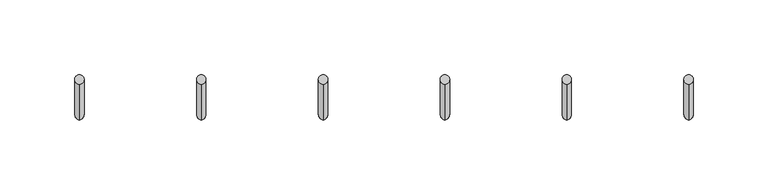
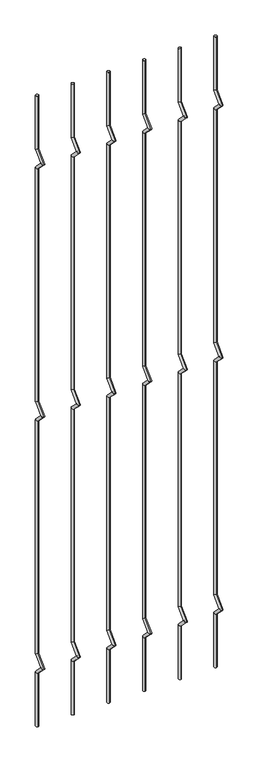
"""IFC4 building model written with IfcOpenShell, lengths in millimetres: railing geometry."""

from ifc_helpers import new_model, si_unit, frame, origin, place, context, project, spatial, circle_curve, ellipse_curve, source, transform, mapped, element, save
from ifc_brep_helpers import plane_surface, cylinder_surface, advanced_brep


def railing_ff7ebbd5(model_context):
    return source(origin(), model_context, "Body", "AdvancedBrep", [
        advanced_brep(
        [(-19446.8326189, 13589.3554142, 25.4), (-19446.8326189, 13583.0054142, 25.4), (-19446.8326189, 13583.0054142, 154.0342316), (-19446.8326189, 13589.3554142, 156.6644878), (-19446.8326189, 13559.2396458, 177.8), (-19446.8326189, 13568.219902, 177.8), (-19446.8326189, 13583.0054142, 201.5657684), (-19446.8326189, 13589.3554142, 198.9355122), (-19446.8326189, 13583.0054142, 763.6342316), (-19446.8326189, 13589.3554142, 766.2644878), (-19446.8326189, 13559.2396458, 787.4), (-19446.8326189, 13568.219902, 787.4), (-19446.8326189, 13583.0054142, 811.1657684), (-19446.8326189, 13589.3554142, 808.5355122), (-19446.8326189, 13583.0054142, 1373.2342316), (-19446.8326189, 13589.3554142, 1375.8644878), (-19446.8326189, 13559.2396458, 1397.0), (-19446.8326189, 13568.219902, 1397.0), (-19446.8326189, 13583.0054142, 1420.7657684), (-19446.8326189, 13589.3554142, 1418.1355122), (-19446.8326189, 13589.3554142, 1549.4), (-19446.8326189, 13583.0054142, 1549.4)],
        [
            (0, 1, circle_curve(frame((-19446.8326189, 13586.1804142, 25.4), z_axis=(0.0, 0.0, -1.0), x_axis=(0.0, -1.0, 0.0)), 3.175)),
            (1, 0, circle_curve(frame((-19446.8326189, 13586.1804142, 25.4), z_axis=(0.0, 0.0, -1.0), x_axis=(0.0, -1.0, 0.0)), 3.175)),
            (1, 2),
            (2, 3, ellipse_curve(frame((-19446.8326189, 13586.1804142, 155.3493597), z_axis=(0.0, 0.3826834323650955, -0.9238795325112844), x_axis=(0.0, -0.9238795325112845, -0.38268343236509544)), 3.4365952, 3.175)),
            (3, 0),
            (3, 2, ellipse_curve(frame((-19446.8326189, 13586.1804142, 155.3493597), z_axis=(0.0, 0.3826834323650955, -0.9238795325112844), x_axis=(0.0, -0.9238795325112845, -0.38268343236509544)), 3.4365952, 3.175)),
            (2, 4),
            (4, 5, ellipse_curve(frame((-19446.8326189, 13563.7297739, 177.8), z_axis=(0.0, 0.0, -1.0), x_axis=(0.0, 1.0, 0.0)), 4.4901281, 3.175)),
            (5, 3),
            (5, 4, ellipse_curve(frame((-19446.8326189, 13563.7297739, 177.8), z_axis=(0.0, 0.0, -1.0), x_axis=(0.0, 1.0, 0.0)), 4.4901281, 3.175)),
            (4, 6),
            (6, 7, ellipse_curve(frame((-19446.8326189, 13586.1804142, 200.2506403), z_axis=(0.0, -0.3826834323650839, -0.9238795325112892), x_axis=(0.0, -0.9238795325112893, 0.38268343236508373)), 3.4365952, 3.175)),
            (7, 5),
            (7, 6, ellipse_curve(frame((-19446.8326189, 13586.1804142, 200.2506403), z_axis=(0.0, -0.3826834323650839, -0.9238795325112892), x_axis=(0.0, -0.9238795325112893, 0.38268343236508373)), 3.4365952, 3.175)),
            (6, 8),
            (8, 9, ellipse_curve(frame((-19446.8326189, 13586.1804142, 764.9493597), z_axis=(0.0, 0.3826834323651107, -0.9238795325112781), x_axis=(0.0, -0.9238795325112781, -0.3826834323651108)), 3.4365952, 3.175)),
            (9, 7),
            (9, 8, ellipse_curve(frame((-19446.8326189, 13586.1804142, 764.9493597), z_axis=(0.0, 0.3826834323651107, -0.9238795325112781), x_axis=(0.0, -0.9238795325112781, -0.3826834323651108)), 3.4365952, 3.175)),
            (8, 10),
            (10, 11, ellipse_curve(frame((-19446.8326189, 13563.7297739, 787.4), z_axis=(0.0, 0.0, -1.0), x_axis=(0.0, 1.0, 0.0)), 4.4901281, 3.175)),
            (11, 9),
            (11, 10, ellipse_curve(frame((-19446.8326189, 13563.7297739, 787.4), z_axis=(0.0, 0.0, -1.0), x_axis=(0.0, 1.0, 0.0)), 4.4901281, 3.175)),
            (10, 12),
            (12, 13, ellipse_curve(frame((-19446.8326189, 13586.1804142, 809.8506403), z_axis=(0.0, -0.3826834323650702, -0.9238795325112948), x_axis=(0.0, -0.9238795325112948, 0.38268343236507046)), 3.4365952, 3.175)),
            (13, 11),
            (13, 12, ellipse_curve(frame((-19446.8326189, 13586.1804142, 809.8506403), z_axis=(0.0, -0.3826834323650702, -0.9238795325112948), x_axis=(0.0, -0.9238795325112948, 0.38268343236507046)), 3.4365952, 3.175)),
            (12, 14),
            (14, 15, ellipse_curve(frame((-19446.8326189, 13586.1804142, 1374.5493597), z_axis=(0.0, 0.3826834323650811, -0.9238795325112903), x_axis=(0.0, -0.9238795325112901, -0.3826834323650815)), 3.4365952, 3.175)),
            (15, 13),
            (15, 14, ellipse_curve(frame((-19446.8326189, 13586.1804142, 1374.5493597), z_axis=(0.0, 0.3826834323650811, -0.9238795325112903), x_axis=(0.0, -0.9238795325112901, -0.3826834323650815)), 3.4365952, 3.175)),
            (14, 16),
            (16, 17, ellipse_curve(frame((-19446.8326189, 13563.7297739, 1397.0), z_axis=(0.0, 0.0, -1.0), x_axis=(0.0, 1.0, 0.0)), 4.4901281, 3.175)),
            (17, 15),
            (17, 16, ellipse_curve(frame((-19446.8326189, 13563.7297739, 1397.0), z_axis=(0.0, 0.0, -1.0), x_axis=(0.0, 1.0, 0.0)), 4.4901281, 3.175)),
            (16, 18),
            (18, 19, ellipse_curve(frame((-19446.8326189, 13586.1804142, 1419.4506403), z_axis=(0.0, -0.38268343236509844, -0.9238795325112833), x_axis=(0.0, -0.9238795325112827, 0.38268343236509916)), 3.4365952, 3.175)),
            (19, 17),
            (19, 18, ellipse_curve(frame((-19446.8326189, 13586.1804142, 1419.4506403), z_axis=(0.0, -0.38268343236509844, -0.9238795325112833), x_axis=(0.0, -0.9238795325112827, 0.38268343236509916)), 3.4365952, 3.175)),
            (20, 21, circle_curve(frame((-19446.8326189, 13586.1804142, 1549.4), z_axis=(0.0, 0.0, 1.0), x_axis=(0.0, -1.0, 0.0)), 3.175)),
            (21, 20, circle_curve(frame((-19446.8326189, 13586.1804142, 1549.4), z_axis=(0.0, 0.0, 1.0), x_axis=(0.0, -1.0, 0.0)), 3.175)),
            (18, 21),
            (20, 19),
        ],
        [
            plane_surface(frame((-19446.8326189, 13586.1804142, 25.4), z_axis=(0.0, 0.0, -1.0), x_axis=(-1.0, 0.0, 0.0))),
            cylinder_surface(frame((-19446.8326189, 13586.1804142, 25.4), z_axis=(0.0, 0.0, -1.0), x_axis=(0.0, -1.0, 0.0)), 3.175),
            cylinder_surface(frame((-19446.8326189, 13586.1804142, 155.3493597), z_axis=(0.0, 0.7071067811865563, -0.7071067811865388), x_axis=(0.0, -0.7071067811865388, -0.7071067811865563)), 3.175),
            cylinder_surface(frame((-19446.8326189, 13563.7297739, 177.8), z_axis=(0.0, -0.7071067811865385, -0.7071067811865568), x_axis=(0.0, -0.7071067811865568, 0.7071067811865385)), 3.175),
            cylinder_surface(frame((-19446.8326189, 13586.1804142, 200.2506403), z_axis=(0.0, 0.0, -1.0), x_axis=(0.0, -1.0, 0.0)), 3.175),
            cylinder_surface(frame((-19446.8326189, 13586.1804142, 764.9493597), z_axis=(0.0, 0.7071067811865798, -0.7071067811865153), x_axis=(0.0, -0.7071067811865153, -0.7071067811865798)), 3.175),
            cylinder_surface(frame((-19446.8326189, 13563.7297739, 787.4), z_axis=(0.0, -0.7071067811865173, -0.7071067811865779), x_axis=(0.0, -0.7071067811865779, 0.7071067811865173)), 3.175),
            cylinder_surface(frame((-19446.8326189, 13586.1804142, 809.8506403), z_axis=(0.0, 0.0, -1.0), x_axis=(0.0, -1.0, 0.0)), 3.175),
            cylinder_surface(frame((-19446.8326189, 13586.1804142, 1374.5493597), z_axis=(0.0, 0.7071067811865346, -0.7071067811865605), x_axis=(0.0, -0.7071067811865605, -0.7071067811865346)), 3.175),
            cylinder_surface(frame((-19446.8326189, 13563.7297739, 1397.0), z_axis=(0.0, -0.7071067811865608, -0.7071067811865344), x_axis=(0.0, -0.7071067811865344, 0.7071067811865608)), 3.175),
            plane_surface(frame((-19446.8326189, 13586.1804142, 1549.4), z_axis=(0.0, 0.0, 1.0), x_axis=(-1.0, 0.0, 0.0))),
            cylinder_surface(frame((-19446.8326189, 13586.1804142, 1419.4506403), z_axis=(0.0, 0.0, -1.0), x_axis=(0.0, -1.0, 0.0)), 3.175),
        ],
        [
            (0, [[1, 2]]),
            (1, [[3, 4, 5, -2]]),
            (1, [[-5, 6, -3, -1]]),
            (2, [[7, 8, 9, -4]]),
            (2, [[-9, 10, -7, -6]]),
            (3, [[11, 12, 13, -8]]),
            (3, [[-13, 14, -11, -10]]),
            (4, [[15, 16, 17, -12]]),
            (4, [[-17, 18, -15, -14]]),
            (5, [[19, 20, 21, -16]]),
            (5, [[-21, 22, -19, -18]]),
            (6, [[23, 24, 25, -20]]),
            (6, [[-25, 26, -23, -22]]),
            (7, [[27, 28, 29, -24]]),
            (7, [[-29, 30, -27, -26]]),
            (8, [[31, 32, 33, -28]]),
            (8, [[-33, 34, -31, -30]]),
            (9, [[35, 36, 37, -32]]),
            (9, [[-37, 38, -35, -34]]),
            (10, [[39, 40]]),
            (11, [[41, -39, 42, -36]]),
            (11, [[-42, -40, -41, -38]]),
        ],
    ),
        advanced_brep(
        [(-19365.2595419, 13589.3554142, 25.4), (-19365.2595419, 13583.0054142, 25.4), (-19365.2595419, 13583.0054142, 154.0342316), (-19365.2595419, 13589.3554142, 156.6644878), (-19365.2595419, 13559.2396458, 177.8), (-19365.2595419, 13568.219902, 177.8), (-19365.2595419, 13583.0054142, 201.5657684), (-19365.2595419, 13589.3554142, 198.9355122), (-19365.2595419, 13583.0054142, 763.6342316), (-19365.2595419, 13589.3554142, 766.2644878), (-19365.2595419, 13559.2396458, 787.4), (-19365.2595419, 13568.219902, 787.4), (-19365.2595419, 13583.0054142, 811.1657684), (-19365.2595419, 13589.3554142, 808.5355122), (-19365.2595419, 13583.0054142, 1373.2342316), (-19365.2595419, 13589.3554142, 1375.8644878), (-19365.2595419, 13559.2396458, 1397.0), (-19365.2595419, 13568.219902, 1397.0), (-19365.2595419, 13583.0054142, 1420.7657684), (-19365.2595419, 13589.3554142, 1418.1355122), (-19365.2595419, 13589.3554142, 1549.4), (-19365.2595419, 13583.0054142, 1549.4)],
        [
            (0, 1, circle_curve(frame((-19365.2595419, 13586.1804142, 25.4), z_axis=(0.0, 0.0, -1.0), x_axis=(0.0, -1.0, 0.0)), 3.175)),
            (1, 0, circle_curve(frame((-19365.2595419, 13586.1804142, 25.4), z_axis=(0.0, 0.0, -1.0), x_axis=(0.0, -1.0, 0.0)), 3.175)),
            (1, 2),
            (2, 3, ellipse_curve(frame((-19365.2595419, 13586.1804142, 155.3493597), z_axis=(0.0, 0.3826834323650955, -0.9238795325112844), x_axis=(0.0, -0.9238795325112845, -0.38268343236509544)), 3.4365952, 3.175)),
            (3, 0),
            (3, 2, ellipse_curve(frame((-19365.2595419, 13586.1804142, 155.3493597), z_axis=(0.0, 0.3826834323650955, -0.9238795325112844), x_axis=(0.0, -0.9238795325112845, -0.38268343236509544)), 3.4365952, 3.175)),
            (2, 4),
            (4, 5, ellipse_curve(frame((-19365.2595419, 13563.7297739, 177.8), z_axis=(0.0, 0.0, -1.0), x_axis=(0.0, 1.0, 0.0)), 4.4901281, 3.175)),
            (5, 3),
            (5, 4, ellipse_curve(frame((-19365.2595419, 13563.7297739, 177.8), z_axis=(0.0, 0.0, -1.0), x_axis=(0.0, 1.0, 0.0)), 4.4901281, 3.175)),
            (4, 6),
            (6, 7, ellipse_curve(frame((-19365.2595419, 13586.1804142, 200.2506403), z_axis=(0.0, -0.3826834323650839, -0.9238795325112892), x_axis=(0.0, -0.9238795325112893, 0.38268343236508373)), 3.4365952, 3.175)),
            (7, 5),
            (7, 6, ellipse_curve(frame((-19365.2595419, 13586.1804142, 200.2506403), z_axis=(0.0, -0.3826834323650839, -0.9238795325112892), x_axis=(0.0, -0.9238795325112893, 0.38268343236508373)), 3.4365952, 3.175)),
            (6, 8),
            (8, 9, ellipse_curve(frame((-19365.2595419, 13586.1804142, 764.9493597), z_axis=(0.0, 0.3826834323651107, -0.9238795325112781), x_axis=(0.0, -0.9238795325112781, -0.3826834323651108)), 3.4365952, 3.175)),
            (9, 7),
            (9, 8, ellipse_curve(frame((-19365.2595419, 13586.1804142, 764.9493597), z_axis=(0.0, 0.3826834323651107, -0.9238795325112781), x_axis=(0.0, -0.9238795325112781, -0.3826834323651108)), 3.4365952, 3.175)),
            (8, 10),
            (10, 11, ellipse_curve(frame((-19365.2595419, 13563.7297739, 787.4), z_axis=(0.0, 0.0, -1.0), x_axis=(0.0, 1.0, 0.0)), 4.4901281, 3.175)),
            (11, 9),
            (11, 10, ellipse_curve(frame((-19365.2595419, 13563.7297739, 787.4), z_axis=(0.0, 0.0, -1.0), x_axis=(0.0, 1.0, 0.0)), 4.4901281, 3.175)),
            (10, 12),
            (12, 13, ellipse_curve(frame((-19365.2595419, 13586.1804142, 809.8506403), z_axis=(0.0, -0.3826834323650702, -0.9238795325112948), x_axis=(0.0, -0.9238795325112948, 0.38268343236507046)), 3.4365952, 3.175)),
            (13, 11),
            (13, 12, ellipse_curve(frame((-19365.2595419, 13586.1804142, 809.8506403), z_axis=(0.0, -0.3826834323650702, -0.9238795325112948), x_axis=(0.0, -0.9238795325112948, 0.38268343236507046)), 3.4365952, 3.175)),
            (12, 14),
            (14, 15, ellipse_curve(frame((-19365.2595419, 13586.1804142, 1374.5493597), z_axis=(0.0, 0.3826834323650811, -0.9238795325112903), x_axis=(0.0, -0.9238795325112901, -0.3826834323650815)), 3.4365952, 3.175)),
            (15, 13),
            (15, 14, ellipse_curve(frame((-19365.2595419, 13586.1804142, 1374.5493597), z_axis=(0.0, 0.3826834323650811, -0.9238795325112903), x_axis=(0.0, -0.9238795325112901, -0.3826834323650815)), 3.4365952, 3.175)),
            (14, 16),
            (16, 17, ellipse_curve(frame((-19365.2595419, 13563.7297739, 1397.0), z_axis=(0.0, 0.0, -1.0), x_axis=(0.0, 1.0, 0.0)), 4.4901281, 3.175)),
            (17, 15),
            (17, 16, ellipse_curve(frame((-19365.2595419, 13563.7297739, 1397.0), z_axis=(0.0, 0.0, -1.0), x_axis=(0.0, 1.0, 0.0)), 4.4901281, 3.175)),
            (16, 18),
            (18, 19, ellipse_curve(frame((-19365.2595419, 13586.1804142, 1419.4506403), z_axis=(0.0, -0.38268343236509844, -0.9238795325112833), x_axis=(0.0, -0.9238795325112827, 0.38268343236509916)), 3.4365952, 3.175)),
            (19, 17),
            (19, 18, ellipse_curve(frame((-19365.2595419, 13586.1804142, 1419.4506403), z_axis=(0.0, -0.38268343236509844, -0.9238795325112833), x_axis=(0.0, -0.9238795325112827, 0.38268343236509916)), 3.4365952, 3.175)),
            (20, 21, circle_curve(frame((-19365.2595419, 13586.1804142, 1549.4), z_axis=(0.0, 0.0, 1.0), x_axis=(0.0, -1.0, 0.0)), 3.175)),
            (21, 20, circle_curve(frame((-19365.2595419, 13586.1804142, 1549.4), z_axis=(0.0, 0.0, 1.0), x_axis=(0.0, -1.0, 0.0)), 3.175)),
            (18, 21),
            (20, 19),
        ],
        [
            plane_surface(frame((-19365.2595419, 13586.1804142, 25.4), z_axis=(0.0, 0.0, -1.0), x_axis=(-1.0, 0.0, 0.0))),
            cylinder_surface(frame((-19365.2595419, 13586.1804142, 25.4), z_axis=(0.0, 0.0, -1.0), x_axis=(0.0, -1.0, 0.0)), 3.175),
            cylinder_surface(frame((-19365.2595419, 13586.1804142, 155.3493597), z_axis=(0.0, 0.7071067811865563, -0.7071067811865388), x_axis=(0.0, -0.7071067811865388, -0.7071067811865563)), 3.175),
            cylinder_surface(frame((-19365.2595419, 13563.7297739, 177.8), z_axis=(0.0, -0.7071067811865385, -0.7071067811865568), x_axis=(0.0, -0.7071067811865568, 0.7071067811865385)), 3.175),
            cylinder_surface(frame((-19365.2595419, 13586.1804142, 200.2506403), z_axis=(0.0, 0.0, -1.0), x_axis=(0.0, -1.0, 0.0)), 3.175),
            cylinder_surface(frame((-19365.2595419, 13586.1804142, 764.9493597), z_axis=(0.0, 0.7071067811865798, -0.7071067811865153), x_axis=(0.0, -0.7071067811865153, -0.7071067811865798)), 3.175),
            cylinder_surface(frame((-19365.2595419, 13563.7297739, 787.4), z_axis=(0.0, -0.7071067811865173, -0.7071067811865779), x_axis=(0.0, -0.7071067811865779, 0.7071067811865173)), 3.175),
            cylinder_surface(frame((-19365.2595419, 13586.1804142, 809.8506403), z_axis=(0.0, 0.0, -1.0), x_axis=(0.0, -1.0, 0.0)), 3.175),
            cylinder_surface(frame((-19365.2595419, 13586.1804142, 1374.5493597), z_axis=(0.0, 0.7071067811865346, -0.7071067811865605), x_axis=(0.0, -0.7071067811865605, -0.7071067811865346)), 3.175),
            cylinder_surface(frame((-19365.2595419, 13563.7297739, 1397.0), z_axis=(0.0, -0.7071067811865608, -0.7071067811865344), x_axis=(0.0, -0.7071067811865344, 0.7071067811865608)), 3.175),
            plane_surface(frame((-19365.2595419, 13586.1804142, 1549.4), z_axis=(0.0, 0.0, 1.0), x_axis=(-1.0, 0.0, 0.0))),
            cylinder_surface(frame((-19365.2595419, 13586.1804142, 1419.4506403), z_axis=(0.0, 0.0, -1.0), x_axis=(0.0, -1.0, 0.0)), 3.175),
        ],
        [
            (0, [[1, 2]]),
            (1, [[3, 4, 5, -2]]),
            (1, [[-5, 6, -3, -1]]),
            (2, [[7, 8, 9, -4]]),
            (2, [[-9, 10, -7, -6]]),
            (3, [[11, 12, 13, -8]]),
            (3, [[-13, 14, -11, -10]]),
            (4, [[15, 16, 17, -12]]),
            (4, [[-17, 18, -15, -14]]),
            (5, [[19, 20, 21, -16]]),
            (5, [[-21, 22, -19, -18]]),
            (6, [[23, 24, 25, -20]]),
            (6, [[-25, 26, -23, -22]]),
            (7, [[27, 28, 29, -24]]),
            (7, [[-29, 30, -27, -26]]),
            (8, [[31, 32, 33, -28]]),
            (8, [[-33, 34, -31, -30]]),
            (9, [[35, 36, 37, -32]]),
            (9, [[-37, 38, -35, -34]]),
            (10, [[39, 40]]),
            (11, [[41, -39, 42, -36]]),
            (11, [[-42, -40, -41, -38]]),
        ],
    ),
        advanced_brep(
        [(-19283.686465, 13589.3554142, 25.4), (-19283.686465, 13583.0054142, 25.4), (-19283.686465, 13583.0054142, 154.0342316), (-19283.686465, 13589.3554142, 156.6644878), (-19283.686465, 13559.2396458, 177.8), (-19283.686465, 13568.219902, 177.8), (-19283.686465, 13583.0054142, 201.5657684), (-19283.686465, 13589.3554142, 198.9355122), (-19283.686465, 13583.0054142, 763.6342316), (-19283.686465, 13589.3554142, 766.2644878), (-19283.686465, 13559.2396458, 787.4), (-19283.686465, 13568.219902, 787.4), (-19283.686465, 13583.0054142, 811.1657684), (-19283.686465, 13589.3554142, 808.5355122), (-19283.686465, 13583.0054142, 1373.2342316), (-19283.686465, 13589.3554142, 1375.8644878), (-19283.686465, 13559.2396458, 1397.0), (-19283.686465, 13568.219902, 1397.0), (-19283.686465, 13583.0054142, 1420.7657684), (-19283.686465, 13589.3554142, 1418.1355122), (-19283.686465, 13589.3554142, 1549.4), (-19283.686465, 13583.0054142, 1549.4)],
        [
            (0, 1, circle_curve(frame((-19283.686465, 13586.1804142, 25.4), z_axis=(0.0, 0.0, -1.0), x_axis=(0.0, -1.0, 0.0)), 3.175)),
            (1, 0, circle_curve(frame((-19283.686465, 13586.1804142, 25.4), z_axis=(0.0, 0.0, -1.0), x_axis=(0.0, -1.0, 0.0)), 3.175)),
            (1, 2),
            (2, 3, ellipse_curve(frame((-19283.686465, 13586.1804142, 155.3493597), z_axis=(0.0, 0.3826834323650955, -0.9238795325112844), x_axis=(0.0, -0.9238795325112845, -0.38268343236509544)), 3.4365952, 3.175)),
            (3, 0),
            (3, 2, ellipse_curve(frame((-19283.686465, 13586.1804142, 155.3493597), z_axis=(0.0, 0.3826834323650955, -0.9238795325112844), x_axis=(0.0, -0.9238795325112845, -0.38268343236509544)), 3.4365952, 3.175)),
            (2, 4),
            (4, 5, ellipse_curve(frame((-19283.686465, 13563.7297739, 177.8), z_axis=(0.0, 0.0, -1.0), x_axis=(0.0, 1.0, 0.0)), 4.4901281, 3.175)),
            (5, 3),
            (5, 4, ellipse_curve(frame((-19283.686465, 13563.7297739, 177.8), z_axis=(0.0, 0.0, -1.0), x_axis=(0.0, 1.0, 0.0)), 4.4901281, 3.175)),
            (4, 6),
            (6, 7, ellipse_curve(frame((-19283.686465, 13586.1804142, 200.2506403), z_axis=(0.0, -0.3826834323650839, -0.9238795325112892), x_axis=(0.0, -0.9238795325112893, 0.38268343236508373)), 3.4365952, 3.175)),
            (7, 5),
            (7, 6, ellipse_curve(frame((-19283.686465, 13586.1804142, 200.2506403), z_axis=(0.0, -0.3826834323650839, -0.9238795325112892), x_axis=(0.0, -0.9238795325112893, 0.38268343236508373)), 3.4365952, 3.175)),
            (6, 8),
            (8, 9, ellipse_curve(frame((-19283.686465, 13586.1804142, 764.9493597), z_axis=(0.0, 0.3826834323651107, -0.9238795325112781), x_axis=(0.0, -0.9238795325112781, -0.3826834323651108)), 3.4365952, 3.175)),
            (9, 7),
            (9, 8, ellipse_curve(frame((-19283.686465, 13586.1804142, 764.9493597), z_axis=(0.0, 0.3826834323651107, -0.9238795325112781), x_axis=(0.0, -0.9238795325112781, -0.3826834323651108)), 3.4365952, 3.175)),
            (8, 10),
            (10, 11, ellipse_curve(frame((-19283.686465, 13563.7297739, 787.4), z_axis=(0.0, 0.0, -1.0), x_axis=(0.0, 1.0, 0.0)), 4.4901281, 3.175)),
            (11, 9),
            (11, 10, ellipse_curve(frame((-19283.686465, 13563.7297739, 787.4), z_axis=(0.0, 0.0, -1.0), x_axis=(0.0, 1.0, 0.0)), 4.4901281, 3.175)),
            (10, 12),
            (12, 13, ellipse_curve(frame((-19283.686465, 13586.1804142, 809.8506403), z_axis=(0.0, -0.3826834323650702, -0.9238795325112948), x_axis=(0.0, -0.9238795325112948, 0.38268343236507046)), 3.4365952, 3.175)),
            (13, 11),
            (13, 12, ellipse_curve(frame((-19283.686465, 13586.1804142, 809.8506403), z_axis=(0.0, -0.3826834323650702, -0.9238795325112948), x_axis=(0.0, -0.9238795325112948, 0.38268343236507046)), 3.4365952, 3.175)),
            (12, 14),
            (14, 15, ellipse_curve(frame((-19283.686465, 13586.1804142, 1374.5493597), z_axis=(0.0, 0.3826834323650811, -0.9238795325112903), x_axis=(0.0, -0.9238795325112901, -0.3826834323650815)), 3.4365952, 3.175)),
            (15, 13),
            (15, 14, ellipse_curve(frame((-19283.686465, 13586.1804142, 1374.5493597), z_axis=(0.0, 0.3826834323650811, -0.9238795325112903), x_axis=(0.0, -0.9238795325112901, -0.3826834323650815)), 3.4365952, 3.175)),
            (14, 16),
            (16, 17, ellipse_curve(frame((-19283.686465, 13563.7297739, 1397.0), z_axis=(0.0, 0.0, -1.0), x_axis=(0.0, 1.0, 0.0)), 4.4901281, 3.175)),
            (17, 15),
            (17, 16, ellipse_curve(frame((-19283.686465, 13563.7297739, 1397.0), z_axis=(0.0, 0.0, -1.0), x_axis=(0.0, 1.0, 0.0)), 4.4901281, 3.175)),
            (16, 18),
            (18, 19, ellipse_curve(frame((-19283.686465, 13586.1804142, 1419.4506403), z_axis=(0.0, -0.38268343236509844, -0.9238795325112833), x_axis=(0.0, -0.9238795325112827, 0.38268343236509916)), 3.4365952, 3.175)),
            (19, 17),
            (19, 18, ellipse_curve(frame((-19283.686465, 13586.1804142, 1419.4506403), z_axis=(0.0, -0.38268343236509844, -0.9238795325112833), x_axis=(0.0, -0.9238795325112827, 0.38268343236509916)), 3.4365952, 3.175)),
            (20, 21, circle_curve(frame((-19283.686465, 13586.1804142, 1549.4), z_axis=(0.0, 0.0, 1.0), x_axis=(0.0, -1.0, 0.0)), 3.175)),
            (21, 20, circle_curve(frame((-19283.686465, 13586.1804142, 1549.4), z_axis=(0.0, 0.0, 1.0), x_axis=(0.0, -1.0, 0.0)), 3.175)),
            (18, 21),
            (20, 19),
        ],
        [
            plane_surface(frame((-19283.686465, 13586.1804142, 25.4), z_axis=(0.0, 0.0, -1.0), x_axis=(-1.0, 0.0, 0.0))),
            cylinder_surface(frame((-19283.686465, 13586.1804142, 25.4), z_axis=(0.0, 0.0, -1.0), x_axis=(0.0, -1.0, 0.0)), 3.175),
            cylinder_surface(frame((-19283.686465, 13586.1804142, 155.3493597), z_axis=(0.0, 0.7071067811865563, -0.7071067811865388), x_axis=(0.0, -0.7071067811865388, -0.7071067811865563)), 3.175),
            cylinder_surface(frame((-19283.686465, 13563.7297739, 177.8), z_axis=(0.0, -0.7071067811865385, -0.7071067811865568), x_axis=(0.0, -0.7071067811865568, 0.7071067811865385)), 3.175),
            cylinder_surface(frame((-19283.686465, 13586.1804142, 200.2506403), z_axis=(0.0, 0.0, -1.0), x_axis=(0.0, -1.0, 0.0)), 3.175),
            cylinder_surface(frame((-19283.686465, 13586.1804142, 764.9493597), z_axis=(0.0, 0.7071067811865798, -0.7071067811865153), x_axis=(0.0, -0.7071067811865153, -0.7071067811865798)), 3.175),
            cylinder_surface(frame((-19283.686465, 13563.7297739, 787.4), z_axis=(0.0, -0.7071067811865173, -0.7071067811865779), x_axis=(0.0, -0.7071067811865779, 0.7071067811865173)), 3.175),
            cylinder_surface(frame((-19283.686465, 13586.1804142, 809.8506403), z_axis=(0.0, 0.0, -1.0), x_axis=(0.0, -1.0, 0.0)), 3.175),
            cylinder_surface(frame((-19283.686465, 13586.1804142, 1374.5493597), z_axis=(0.0, 0.7071067811865346, -0.7071067811865605), x_axis=(0.0, -0.7071067811865605, -0.7071067811865346)), 3.175),
            cylinder_surface(frame((-19283.686465, 13563.7297739, 1397.0), z_axis=(0.0, -0.7071067811865608, -0.7071067811865344), x_axis=(0.0, -0.7071067811865344, 0.7071067811865608)), 3.175),
            plane_surface(frame((-19283.686465, 13586.1804142, 1549.4), z_axis=(0.0, 0.0, 1.0), x_axis=(-1.0, 0.0, 0.0))),
            cylinder_surface(frame((-19283.686465, 13586.1804142, 1419.4506403), z_axis=(0.0, 0.0, -1.0), x_axis=(0.0, -1.0, 0.0)), 3.175),
        ],
        [
            (0, [[1, 2]]),
            (1, [[3, 4, 5, -2]]),
            (1, [[-5, 6, -3, -1]]),
            (2, [[7, 8, 9, -4]]),
            (2, [[-9, 10, -7, -6]]),
            (3, [[11, 12, 13, -8]]),
            (3, [[-13, 14, -11, -10]]),
            (4, [[15, 16, 17, -12]]),
            (4, [[-17, 18, -15, -14]]),
            (5, [[19, 20, 21, -16]]),
            (5, [[-21, 22, -19, -18]]),
            (6, [[23, 24, 25, -20]]),
            (6, [[-25, 26, -23, -22]]),
            (7, [[27, 28, 29, -24]]),
            (7, [[-29, 30, -27, -26]]),
            (8, [[31, 32, 33, -28]]),
            (8, [[-33, 34, -31, -30]]),
            (9, [[35, 36, 37, -32]]),
            (9, [[-37, 38, -35, -34]]),
            (10, [[39, 40]]),
            (11, [[41, -39, 42, -36]]),
            (11, [[-42, -40, -41, -38]]),
        ],
    ),
        advanced_brep(
        [(-19202.1133881, 13589.3554142, 25.4), (-19202.1133881, 13583.0054142, 25.4), (-19202.1133881, 13583.0054142, 154.0342316), (-19202.1133881, 13589.3554142, 156.6644878), (-19202.1133881, 13559.2396458, 177.8), (-19202.1133881, 13568.219902, 177.8), (-19202.1133881, 13583.0054142, 201.5657684), (-19202.1133881, 13589.3554142, 198.9355122), (-19202.1133881, 13583.0054142, 763.6342316), (-19202.1133881, 13589.3554142, 766.2644878), (-19202.1133881, 13559.2396458, 787.4), (-19202.1133881, 13568.219902, 787.4), (-19202.1133881, 13583.0054142, 811.1657684), (-19202.1133881, 13589.3554142, 808.5355122), (-19202.1133881, 13583.0054142, 1373.2342316), (-19202.1133881, 13589.3554142, 1375.8644878), (-19202.1133881, 13559.2396458, 1397.0), (-19202.1133881, 13568.219902, 1397.0), (-19202.1133881, 13583.0054142, 1420.7657684), (-19202.1133881, 13589.3554142, 1418.1355122), (-19202.1133881, 13589.3554142, 1549.4), (-19202.1133881, 13583.0054142, 1549.4)],
        [
            (0, 1, circle_curve(frame((-19202.1133881, 13586.1804142, 25.4), z_axis=(0.0, 0.0, -1.0), x_axis=(0.0, -1.0, 0.0)), 3.175)),
            (1, 0, circle_curve(frame((-19202.1133881, 13586.1804142, 25.4), z_axis=(0.0, 0.0, -1.0), x_axis=(0.0, -1.0, 0.0)), 3.175)),
            (1, 2),
            (2, 3, ellipse_curve(frame((-19202.1133881, 13586.1804142, 155.3493597), z_axis=(0.0, 0.3826834323650955, -0.9238795325112844), x_axis=(0.0, -0.9238795325112845, -0.38268343236509544)), 3.4365952, 3.175)),
            (3, 0),
            (3, 2, ellipse_curve(frame((-19202.1133881, 13586.1804142, 155.3493597), z_axis=(0.0, 0.3826834323650955, -0.9238795325112844), x_axis=(0.0, -0.9238795325112845, -0.38268343236509544)), 3.4365952, 3.175)),
            (2, 4),
            (4, 5, ellipse_curve(frame((-19202.1133881, 13563.7297739, 177.8), z_axis=(0.0, 0.0, -1.0), x_axis=(0.0, 1.0, 0.0)), 4.4901281, 3.175)),
            (5, 3),
            (5, 4, ellipse_curve(frame((-19202.1133881, 13563.7297739, 177.8), z_axis=(0.0, 0.0, -1.0), x_axis=(0.0, 1.0, 0.0)), 4.4901281, 3.175)),
            (4, 6),
            (6, 7, ellipse_curve(frame((-19202.1133881, 13586.1804142, 200.2506403), z_axis=(0.0, -0.3826834323650839, -0.9238795325112892), x_axis=(0.0, -0.9238795325112893, 0.38268343236508373)), 3.4365952, 3.175)),
            (7, 5),
            (7, 6, ellipse_curve(frame((-19202.1133881, 13586.1804142, 200.2506403), z_axis=(0.0, -0.3826834323650839, -0.9238795325112892), x_axis=(0.0, -0.9238795325112893, 0.38268343236508373)), 3.4365952, 3.175)),
            (6, 8),
            (8, 9, ellipse_curve(frame((-19202.1133881, 13586.1804142, 764.9493597), z_axis=(0.0, 0.3826834323651107, -0.9238795325112781), x_axis=(0.0, -0.9238795325112781, -0.3826834323651108)), 3.4365952, 3.175)),
            (9, 7),
            (9, 8, ellipse_curve(frame((-19202.1133881, 13586.1804142, 764.9493597), z_axis=(0.0, 0.3826834323651107, -0.9238795325112781), x_axis=(0.0, -0.9238795325112781, -0.3826834323651108)), 3.4365952, 3.175)),
            (8, 10),
            (10, 11, ellipse_curve(frame((-19202.1133881, 13563.7297739, 787.4), z_axis=(0.0, 0.0, -1.0), x_axis=(0.0, 1.0, 0.0)), 4.4901281, 3.175)),
            (11, 9),
            (11, 10, ellipse_curve(frame((-19202.1133881, 13563.7297739, 787.4), z_axis=(0.0, 0.0, -1.0), x_axis=(0.0, 1.0, 0.0)), 4.4901281, 3.175)),
            (10, 12),
            (12, 13, ellipse_curve(frame((-19202.1133881, 13586.1804142, 809.8506403), z_axis=(0.0, -0.3826834323650702, -0.9238795325112948), x_axis=(0.0, -0.9238795325112948, 0.38268343236507046)), 3.4365952, 3.175)),
            (13, 11),
            (13, 12, ellipse_curve(frame((-19202.1133881, 13586.1804142, 809.8506403), z_axis=(0.0, -0.3826834323650702, -0.9238795325112948), x_axis=(0.0, -0.9238795325112948, 0.38268343236507046)), 3.4365952, 3.175)),
            (12, 14),
            (14, 15, ellipse_curve(frame((-19202.1133881, 13586.1804142, 1374.5493597), z_axis=(0.0, 0.3826834323650811, -0.9238795325112903), x_axis=(0.0, -0.9238795325112901, -0.3826834323650815)), 3.4365952, 3.175)),
            (15, 13),
            (15, 14, ellipse_curve(frame((-19202.1133881, 13586.1804142, 1374.5493597), z_axis=(0.0, 0.3826834323650811, -0.9238795325112903), x_axis=(0.0, -0.9238795325112901, -0.3826834323650815)), 3.4365952, 3.175)),
            (14, 16),
            (16, 17, ellipse_curve(frame((-19202.1133881, 13563.7297739, 1397.0), z_axis=(0.0, 0.0, -1.0), x_axis=(0.0, 1.0, 0.0)), 4.4901281, 3.175)),
            (17, 15),
            (17, 16, ellipse_curve(frame((-19202.1133881, 13563.7297739, 1397.0), z_axis=(0.0, 0.0, -1.0), x_axis=(0.0, 1.0, 0.0)), 4.4901281, 3.175)),
            (16, 18),
            (18, 19, ellipse_curve(frame((-19202.1133881, 13586.1804142, 1419.4506403), z_axis=(0.0, -0.38268343236509844, -0.9238795325112833), x_axis=(0.0, -0.9238795325112827, 0.38268343236509916)), 3.4365952, 3.175)),
            (19, 17),
            (19, 18, ellipse_curve(frame((-19202.1133881, 13586.1804142, 1419.4506403), z_axis=(0.0, -0.38268343236509844, -0.9238795325112833), x_axis=(0.0, -0.9238795325112827, 0.38268343236509916)), 3.4365952, 3.175)),
            (20, 21, circle_curve(frame((-19202.1133881, 13586.1804142, 1549.4), z_axis=(0.0, 0.0, 1.0), x_axis=(0.0, -1.0, 0.0)), 3.175)),
            (21, 20, circle_curve(frame((-19202.1133881, 13586.1804142, 1549.4), z_axis=(0.0, 0.0, 1.0), x_axis=(0.0, -1.0, 0.0)), 3.175)),
            (18, 21),
            (20, 19),
        ],
        [
            plane_surface(frame((-19202.1133881, 13586.1804142, 25.4), z_axis=(0.0, 0.0, -1.0), x_axis=(-1.0, 0.0, 0.0))),
            cylinder_surface(frame((-19202.1133881, 13586.1804142, 25.4), z_axis=(0.0, 0.0, -1.0), x_axis=(0.0, -1.0, 0.0)), 3.175),
            cylinder_surface(frame((-19202.1133881, 13586.1804142, 155.3493597), z_axis=(0.0, 0.7071067811865563, -0.7071067811865388), x_axis=(0.0, -0.7071067811865388, -0.7071067811865563)), 3.175),
            cylinder_surface(frame((-19202.1133881, 13563.7297739, 177.8), z_axis=(0.0, -0.7071067811865385, -0.7071067811865568), x_axis=(0.0, -0.7071067811865568, 0.7071067811865385)), 3.175),
            cylinder_surface(frame((-19202.1133881, 13586.1804142, 200.2506403), z_axis=(0.0, 0.0, -1.0), x_axis=(0.0, -1.0, 0.0)), 3.175),
            cylinder_surface(frame((-19202.1133881, 13586.1804142, 764.9493597), z_axis=(0.0, 0.7071067811865798, -0.7071067811865153), x_axis=(0.0, -0.7071067811865153, -0.7071067811865798)), 3.175),
            cylinder_surface(frame((-19202.1133881, 13563.7297739, 787.4), z_axis=(0.0, -0.7071067811865173, -0.7071067811865779), x_axis=(0.0, -0.7071067811865779, 0.7071067811865173)), 3.175),
            cylinder_surface(frame((-19202.1133881, 13586.1804142, 809.8506403), z_axis=(0.0, 0.0, -1.0), x_axis=(0.0, -1.0, 0.0)), 3.175),
            cylinder_surface(frame((-19202.1133881, 13586.1804142, 1374.5493597), z_axis=(0.0, 0.7071067811865346, -0.7071067811865605), x_axis=(0.0, -0.7071067811865605, -0.7071067811865346)), 3.175),
            cylinder_surface(frame((-19202.1133881, 13563.7297739, 1397.0), z_axis=(0.0, -0.7071067811865608, -0.7071067811865344), x_axis=(0.0, -0.7071067811865344, 0.7071067811865608)), 3.175),
            plane_surface(frame((-19202.1133881, 13586.1804142, 1549.4), z_axis=(0.0, 0.0, 1.0), x_axis=(-1.0, 0.0, 0.0))),
            cylinder_surface(frame((-19202.1133881, 13586.1804142, 1419.4506403), z_axis=(0.0, 0.0, -1.0), x_axis=(0.0, -1.0, 0.0)), 3.175),
        ],
        [
            (0, [[1, 2]]),
            (1, [[3, 4, 5, -2]]),
            (1, [[-5, 6, -3, -1]]),
            (2, [[7, 8, 9, -4]]),
            (2, [[-9, 10, -7, -6]]),
            (3, [[11, 12, 13, -8]]),
            (3, [[-13, 14, -11, -10]]),
            (4, [[15, 16, 17, -12]]),
            (4, [[-17, 18, -15, -14]]),
            (5, [[19, 20, 21, -16]]),
            (5, [[-21, 22, -19, -18]]),
            (6, [[23, 24, 25, -20]]),
            (6, [[-25, 26, -23, -22]]),
            (7, [[27, 28, 29, -24]]),
            (7, [[-29, 30, -27, -26]]),
            (8, [[31, 32, 33, -28]]),
            (8, [[-33, 34, -31, -30]]),
            (9, [[35, 36, 37, -32]]),
            (9, [[-37, 38, -35, -34]]),
            (10, [[39, 40]]),
            (11, [[41, -39, 42, -36]]),
            (11, [[-42, -40, -41, -38]]),
        ],
    ),
        advanced_brep(
        [(-19120.5403112, 13589.3554142, 25.4), (-19120.5403112, 13583.0054142, 25.4), (-19120.5403112, 13583.0054142, 154.0342316), (-19120.5403112, 13589.3554142, 156.6644878), (-19120.5403112, 13559.2396458, 177.8), (-19120.5403112, 13568.219902, 177.8), (-19120.5403112, 13583.0054142, 201.5657684), (-19120.5403112, 13589.3554142, 198.9355122), (-19120.5403112, 13583.0054142, 763.6342316), (-19120.5403112, 13589.3554142, 766.2644878), (-19120.5403112, 13559.2396458, 787.4), (-19120.5403112, 13568.219902, 787.4), (-19120.5403112, 13583.0054142, 811.1657684), (-19120.5403112, 13589.3554142, 808.5355122), (-19120.5403112, 13583.0054142, 1373.2342316), (-19120.5403112, 13589.3554142, 1375.8644878), (-19120.5403112, 13559.2396458, 1397.0), (-19120.5403112, 13568.219902, 1397.0), (-19120.5403112, 13583.0054142, 1420.7657684), (-19120.5403112, 13589.3554142, 1418.1355122), (-19120.5403112, 13589.3554142, 1549.4), (-19120.5403112, 13583.0054142, 1549.4)],
        [
            (0, 1, circle_curve(frame((-19120.5403112, 13586.1804142, 25.4), z_axis=(0.0, 0.0, -1.0), x_axis=(0.0, -1.0, 0.0)), 3.175)),
            (1, 0, circle_curve(frame((-19120.5403112, 13586.1804142, 25.4), z_axis=(0.0, 0.0, -1.0), x_axis=(0.0, -1.0, 0.0)), 3.175)),
            (1, 2),
            (2, 3, ellipse_curve(frame((-19120.5403112, 13586.1804142, 155.3493597), z_axis=(0.0, 0.3826834323650955, -0.9238795325112844), x_axis=(0.0, -0.9238795325112845, -0.38268343236509544)), 3.4365952, 3.175)),
            (3, 0),
            (3, 2, ellipse_curve(frame((-19120.5403112, 13586.1804142, 155.3493597), z_axis=(0.0, 0.3826834323650955, -0.9238795325112844), x_axis=(0.0, -0.9238795325112845, -0.38268343236509544)), 3.4365952, 3.175)),
            (2, 4),
            (4, 5, ellipse_curve(frame((-19120.5403112, 13563.7297739, 177.8), z_axis=(0.0, 0.0, -1.0), x_axis=(0.0, 1.0, 0.0)), 4.4901281, 3.175)),
            (5, 3),
            (5, 4, ellipse_curve(frame((-19120.5403112, 13563.7297739, 177.8), z_axis=(0.0, 0.0, -1.0), x_axis=(0.0, 1.0, 0.0)), 4.4901281, 3.175)),
            (4, 6),
            (6, 7, ellipse_curve(frame((-19120.5403112, 13586.1804142, 200.2506403), z_axis=(0.0, -0.3826834323650839, -0.9238795325112892), x_axis=(0.0, -0.9238795325112893, 0.38268343236508373)), 3.4365952, 3.175)),
            (7, 5),
            (7, 6, ellipse_curve(frame((-19120.5403112, 13586.1804142, 200.2506403), z_axis=(0.0, -0.3826834323650839, -0.9238795325112892), x_axis=(0.0, -0.9238795325112893, 0.38268343236508373)), 3.4365952, 3.175)),
            (6, 8),
            (8, 9, ellipse_curve(frame((-19120.5403112, 13586.1804142, 764.9493597), z_axis=(0.0, 0.3826834323651107, -0.9238795325112781), x_axis=(0.0, -0.9238795325112781, -0.3826834323651108)), 3.4365952, 3.175)),
            (9, 7),
            (9, 8, ellipse_curve(frame((-19120.5403112, 13586.1804142, 764.9493597), z_axis=(0.0, 0.3826834323651107, -0.9238795325112781), x_axis=(0.0, -0.9238795325112781, -0.3826834323651108)), 3.4365952, 3.175)),
            (8, 10),
            (10, 11, ellipse_curve(frame((-19120.5403112, 13563.7297739, 787.4), z_axis=(0.0, 0.0, -1.0), x_axis=(0.0, 1.0, 0.0)), 4.4901281, 3.175)),
            (11, 9),
            (11, 10, ellipse_curve(frame((-19120.5403112, 13563.7297739, 787.4), z_axis=(0.0, 0.0, -1.0), x_axis=(0.0, 1.0, 0.0)), 4.4901281, 3.175)),
            (10, 12),
            (12, 13, ellipse_curve(frame((-19120.5403112, 13586.1804142, 809.8506403), z_axis=(0.0, -0.3826834323650702, -0.9238795325112948), x_axis=(0.0, -0.9238795325112948, 0.38268343236507046)), 3.4365952, 3.175)),
            (13, 11),
            (13, 12, ellipse_curve(frame((-19120.5403112, 13586.1804142, 809.8506403), z_axis=(0.0, -0.3826834323650702, -0.9238795325112948), x_axis=(0.0, -0.9238795325112948, 0.38268343236507046)), 3.4365952, 3.175)),
            (12, 14),
            (14, 15, ellipse_curve(frame((-19120.5403112, 13586.1804142, 1374.5493597), z_axis=(0.0, 0.3826834323650811, -0.9238795325112903), x_axis=(0.0, -0.9238795325112901, -0.3826834323650815)), 3.4365952, 3.175)),
            (15, 13),
            (15, 14, ellipse_curve(frame((-19120.5403112, 13586.1804142, 1374.5493597), z_axis=(0.0, 0.3826834323650811, -0.9238795325112903), x_axis=(0.0, -0.9238795325112901, -0.3826834323650815)), 3.4365952, 3.175)),
            (14, 16),
            (16, 17, ellipse_curve(frame((-19120.5403112, 13563.7297739, 1397.0), z_axis=(0.0, 0.0, -1.0), x_axis=(0.0, 1.0, 0.0)), 4.4901281, 3.175)),
            (17, 15),
            (17, 16, ellipse_curve(frame((-19120.5403112, 13563.7297739, 1397.0), z_axis=(0.0, 0.0, -1.0), x_axis=(0.0, 1.0, 0.0)), 4.4901281, 3.175)),
            (16, 18),
            (18, 19, ellipse_curve(frame((-19120.5403112, 13586.1804142, 1419.4506403), z_axis=(0.0, -0.38268343236509844, -0.9238795325112833), x_axis=(0.0, -0.9238795325112827, 0.38268343236509916)), 3.4365952, 3.175)),
            (19, 17),
            (19, 18, ellipse_curve(frame((-19120.5403112, 13586.1804142, 1419.4506403), z_axis=(0.0, -0.38268343236509844, -0.9238795325112833), x_axis=(0.0, -0.9238795325112827, 0.38268343236509916)), 3.4365952, 3.175)),
            (20, 21, circle_curve(frame((-19120.5403112, 13586.1804142, 1549.4), z_axis=(0.0, 0.0, 1.0), x_axis=(0.0, -1.0, 0.0)), 3.175)),
            (21, 20, circle_curve(frame((-19120.5403112, 13586.1804142, 1549.4), z_axis=(0.0, 0.0, 1.0), x_axis=(0.0, -1.0, 0.0)), 3.175)),
            (18, 21),
            (20, 19),
        ],
        [
            plane_surface(frame((-19120.5403112, 13586.1804142, 25.4), z_axis=(0.0, 0.0, -1.0), x_axis=(-1.0, 0.0, 0.0))),
            cylinder_surface(frame((-19120.5403112, 13586.1804142, 25.4), z_axis=(0.0, 0.0, -1.0), x_axis=(0.0, -1.0, 0.0)), 3.175),
            cylinder_surface(frame((-19120.5403112, 13586.1804142, 155.3493597), z_axis=(0.0, 0.7071067811865563, -0.7071067811865388), x_axis=(0.0, -0.7071067811865388, -0.7071067811865563)), 3.175),
            cylinder_surface(frame((-19120.5403112, 13563.7297739, 177.8), z_axis=(0.0, -0.7071067811865385, -0.7071067811865568), x_axis=(0.0, -0.7071067811865568, 0.7071067811865385)), 3.175),
            cylinder_surface(frame((-19120.5403112, 13586.1804142, 200.2506403), z_axis=(0.0, 0.0, -1.0), x_axis=(0.0, -1.0, 0.0)), 3.175),
            cylinder_surface(frame((-19120.5403112, 13586.1804142, 764.9493597), z_axis=(0.0, 0.7071067811865798, -0.7071067811865153), x_axis=(0.0, -0.7071067811865153, -0.7071067811865798)), 3.175),
            cylinder_surface(frame((-19120.5403112, 13563.7297739, 787.4), z_axis=(0.0, -0.7071067811865173, -0.7071067811865779), x_axis=(0.0, -0.7071067811865779, 0.7071067811865173)), 3.175),
            cylinder_surface(frame((-19120.5403112, 13586.1804142, 809.8506403), z_axis=(0.0, 0.0, -1.0), x_axis=(0.0, -1.0, 0.0)), 3.175),
            cylinder_surface(frame((-19120.5403112, 13586.1804142, 1374.5493597), z_axis=(0.0, 0.7071067811865346, -0.7071067811865605), x_axis=(0.0, -0.7071067811865605, -0.7071067811865346)), 3.175),
            cylinder_surface(frame((-19120.5403112, 13563.7297739, 1397.0), z_axis=(0.0, -0.7071067811865608, -0.7071067811865344), x_axis=(0.0, -0.7071067811865344, 0.7071067811865608)), 3.175),
            plane_surface(frame((-19120.5403112, 13586.1804142, 1549.4), z_axis=(0.0, 0.0, 1.0), x_axis=(-1.0, 0.0, 0.0))),
            cylinder_surface(frame((-19120.5403112, 13586.1804142, 1419.4506403), z_axis=(0.0, 0.0, -1.0), x_axis=(0.0, -1.0, 0.0)), 3.175),
        ],
        [
            (0, [[1, 2]]),
            (1, [[3, 4, 5, -2]]),
            (1, [[-5, 6, -3, -1]]),
            (2, [[7, 8, 9, -4]]),
            (2, [[-9, 10, -7, -6]]),
            (3, [[11, 12, 13, -8]]),
            (3, [[-13, 14, -11, -10]]),
            (4, [[15, 16, 17, -12]]),
            (4, [[-17, 18, -15, -14]]),
            (5, [[19, 20, 21, -16]]),
            (5, [[-21, 22, -19, -18]]),
            (6, [[23, 24, 25, -20]]),
            (6, [[-25, 26, -23, -22]]),
            (7, [[27, 28, 29, -24]]),
            (7, [[-29, 30, -27, -26]]),
            (8, [[31, 32, 33, -28]]),
            (8, [[-33, 34, -31, -30]]),
            (9, [[35, 36, 37, -32]]),
            (9, [[-37, 38, -35, -34]]),
            (10, [[39, 40]]),
            (11, [[41, -39, 42, -36]]),
            (11, [[-42, -40, -41, -38]]),
        ],
    ),
        advanced_brep(
        [(-19038.9672342, 13589.3554142, 25.4), (-19038.9672342, 13583.0054142, 25.4), (-19038.9672342, 13583.0054142, 154.0342316), (-19038.9672342, 13589.3554142, 156.6644878), (-19038.9672342, 13559.2396458, 177.8), (-19038.9672342, 13568.219902, 177.8), (-19038.9672342, 13583.0054142, 201.5657684), (-19038.9672342, 13589.3554142, 198.9355122), (-19038.9672342, 13583.0054142, 763.6342316), (-19038.9672342, 13589.3554142, 766.2644878), (-19038.9672342, 13559.2396458, 787.4), (-19038.9672342, 13568.219902, 787.4), (-19038.9672342, 13583.0054142, 811.1657684), (-19038.9672342, 13589.3554142, 808.5355122), (-19038.9672342, 13583.0054142, 1373.2342316), (-19038.9672342, 13589.3554142, 1375.8644878), (-19038.9672342, 13559.2396458, 1397.0), (-19038.9672342, 13568.219902, 1397.0), (-19038.9672342, 13583.0054142, 1420.7657684), (-19038.9672342, 13589.3554142, 1418.1355122), (-19038.9672342, 13589.3554142, 1549.4), (-19038.9672342, 13583.0054142, 1549.4)],
        [
            (0, 1, circle_curve(frame((-19038.9672342, 13586.1804142, 25.4), z_axis=(0.0, 0.0, -1.0), x_axis=(0.0, -1.0, 0.0)), 3.175)),
            (1, 0, circle_curve(frame((-19038.9672342, 13586.1804142, 25.4), z_axis=(0.0, 0.0, -1.0), x_axis=(0.0, -1.0, 0.0)), 3.175)),
            (1, 2),
            (2, 3, ellipse_curve(frame((-19038.9672342, 13586.1804142, 155.3493597), z_axis=(0.0, 0.3826834323650955, -0.9238795325112844), x_axis=(0.0, -0.9238795325112845, -0.38268343236509544)), 3.4365952, 3.175)),
            (3, 0),
            (3, 2, ellipse_curve(frame((-19038.9672342, 13586.1804142, 155.3493597), z_axis=(0.0, 0.3826834323650955, -0.9238795325112844), x_axis=(0.0, -0.9238795325112845, -0.38268343236509544)), 3.4365952, 3.175)),
            (2, 4),
            (4, 5, ellipse_curve(frame((-19038.9672342, 13563.7297739, 177.8), z_axis=(0.0, 0.0, -1.0), x_axis=(0.0, 1.0, 0.0)), 4.4901281, 3.175)),
            (5, 3),
            (5, 4, ellipse_curve(frame((-19038.9672342, 13563.7297739, 177.8), z_axis=(0.0, 0.0, -1.0), x_axis=(0.0, 1.0, 0.0)), 4.4901281, 3.175)),
            (4, 6),
            (6, 7, ellipse_curve(frame((-19038.9672342, 13586.1804142, 200.2506403), z_axis=(0.0, -0.3826834323650839, -0.9238795325112892), x_axis=(0.0, -0.9238795325112893, 0.38268343236508373)), 3.4365952, 3.175)),
            (7, 5),
            (7, 6, ellipse_curve(frame((-19038.9672342, 13586.1804142, 200.2506403), z_axis=(0.0, -0.3826834323650839, -0.9238795325112892), x_axis=(0.0, -0.9238795325112893, 0.38268343236508373)), 3.4365952, 3.175)),
            (6, 8),
            (8, 9, ellipse_curve(frame((-19038.9672342, 13586.1804142, 764.9493597), z_axis=(0.0, 0.3826834323651107, -0.9238795325112781), x_axis=(0.0, -0.9238795325112781, -0.3826834323651108)), 3.4365952, 3.175)),
            (9, 7),
            (9, 8, ellipse_curve(frame((-19038.9672342, 13586.1804142, 764.9493597), z_axis=(0.0, 0.3826834323651107, -0.9238795325112781), x_axis=(0.0, -0.9238795325112781, -0.3826834323651108)), 3.4365952, 3.175)),
            (8, 10),
            (10, 11, ellipse_curve(frame((-19038.9672342, 13563.7297739, 787.4), z_axis=(0.0, 0.0, -1.0), x_axis=(0.0, 1.0, 0.0)), 4.4901281, 3.175)),
            (11, 9),
            (11, 10, ellipse_curve(frame((-19038.9672342, 13563.7297739, 787.4), z_axis=(0.0, 0.0, -1.0), x_axis=(0.0, 1.0, 0.0)), 4.4901281, 3.175)),
            (10, 12),
            (12, 13, ellipse_curve(frame((-19038.9672342, 13586.1804142, 809.8506403), z_axis=(0.0, -0.3826834323650702, -0.9238795325112948), x_axis=(0.0, -0.9238795325112948, 0.38268343236507046)), 3.4365952, 3.175)),
            (13, 11),
            (13, 12, ellipse_curve(frame((-19038.9672342, 13586.1804142, 809.8506403), z_axis=(0.0, -0.3826834323650702, -0.9238795325112948), x_axis=(0.0, -0.9238795325112948, 0.38268343236507046)), 3.4365952, 3.175)),
            (12, 14),
            (14, 15, ellipse_curve(frame((-19038.9672342, 13586.1804142, 1374.5493597), z_axis=(0.0, 0.3826834323650811, -0.9238795325112903), x_axis=(0.0, -0.9238795325112901, -0.3826834323650815)), 3.4365952, 3.175)),
            (15, 13),
            (15, 14, ellipse_curve(frame((-19038.9672342, 13586.1804142, 1374.5493597), z_axis=(0.0, 0.3826834323650811, -0.9238795325112903), x_axis=(0.0, -0.9238795325112901, -0.3826834323650815)), 3.4365952, 3.175)),
            (14, 16),
            (16, 17, ellipse_curve(frame((-19038.9672342, 13563.7297739, 1397.0), z_axis=(0.0, 0.0, -1.0), x_axis=(0.0, 1.0, 0.0)), 4.4901281, 3.175)),
            (17, 15),
            (17, 16, ellipse_curve(frame((-19038.9672342, 13563.7297739, 1397.0), z_axis=(0.0, 0.0, -1.0), x_axis=(0.0, 1.0, 0.0)), 4.4901281, 3.175)),
            (16, 18),
            (18, 19, ellipse_curve(frame((-19038.9672342, 13586.1804142, 1419.4506403), z_axis=(0.0, -0.38268343236509844, -0.9238795325112833), x_axis=(0.0, -0.9238795325112827, 0.38268343236509916)), 3.4365952, 3.175)),
            (19, 17),
            (19, 18, ellipse_curve(frame((-19038.9672342, 13586.1804142, 1419.4506403), z_axis=(0.0, -0.38268343236509844, -0.9238795325112833), x_axis=(0.0, -0.9238795325112827, 0.38268343236509916)), 3.4365952, 3.175)),
            (20, 21, circle_curve(frame((-19038.9672342, 13586.1804142, 1549.4), z_axis=(0.0, 0.0, 1.0), x_axis=(0.0, -1.0, 0.0)), 3.175)),
            (21, 20, circle_curve(frame((-19038.9672342, 13586.1804142, 1549.4), z_axis=(0.0, 0.0, 1.0), x_axis=(0.0, -1.0, 0.0)), 3.175)),
            (18, 21),
            (20, 19),
        ],
        [
            plane_surface(frame((-19038.9672342, 13586.1804142, 25.4), z_axis=(0.0, 0.0, -1.0), x_axis=(-1.0, 0.0, 0.0))),
            cylinder_surface(frame((-19038.9672342, 13586.1804142, 25.4), z_axis=(0.0, 0.0, -1.0), x_axis=(0.0, -1.0, 0.0)), 3.175),
            cylinder_surface(frame((-19038.9672342, 13586.1804142, 155.3493597), z_axis=(0.0, 0.7071067811865563, -0.7071067811865388), x_axis=(0.0, -0.7071067811865388, -0.7071067811865563)), 3.175),
            cylinder_surface(frame((-19038.9672342, 13563.7297739, 177.8), z_axis=(0.0, -0.7071067811865385, -0.7071067811865568), x_axis=(0.0, -0.7071067811865568, 0.7071067811865385)), 3.175),
            cylinder_surface(frame((-19038.9672342, 13586.1804142, 200.2506403), z_axis=(0.0, 0.0, -1.0), x_axis=(0.0, -1.0, 0.0)), 3.175),
            cylinder_surface(frame((-19038.9672342, 13586.1804142, 764.9493597), z_axis=(0.0, 0.7071067811865798, -0.7071067811865153), x_axis=(0.0, -0.7071067811865153, -0.7071067811865798)), 3.175),
            cylinder_surface(frame((-19038.9672342, 13563.7297739, 787.4), z_axis=(0.0, -0.7071067811865173, -0.7071067811865779), x_axis=(0.0, -0.7071067811865779, 0.7071067811865173)), 3.175),
            cylinder_surface(frame((-19038.9672342, 13586.1804142, 809.8506403), z_axis=(0.0, 0.0, -1.0), x_axis=(0.0, -1.0, 0.0)), 3.175),
            cylinder_surface(frame((-19038.9672342, 13586.1804142, 1374.5493597), z_axis=(0.0, 0.7071067811865346, -0.7071067811865605), x_axis=(0.0, -0.7071067811865605, -0.7071067811865346)), 3.175),
            cylinder_surface(frame((-19038.9672342, 13563.7297739, 1397.0), z_axis=(0.0, -0.7071067811865608, -0.7071067811865344), x_axis=(0.0, -0.7071067811865344, 0.7071067811865608)), 3.175),
            plane_surface(frame((-19038.9672342, 13586.1804142, 1549.4), z_axis=(0.0, 0.0, 1.0), x_axis=(-1.0, 0.0, 0.0))),
            cylinder_surface(frame((-19038.9672342, 13586.1804142, 1419.4506403), z_axis=(0.0, 0.0, -1.0), x_axis=(0.0, -1.0, 0.0)), 3.175),
        ],
        [
            (0, [[1, 2]]),
            (1, [[3, 4, 5, -2]]),
            (1, [[-5, 6, -3, -1]]),
            (2, [[7, 8, 9, -4]]),
            (2, [[-9, 10, -7, -6]]),
            (3, [[11, 12, 13, -8]]),
            (3, [[-13, 14, -11, -10]]),
            (4, [[15, 16, 17, -12]]),
            (4, [[-17, 18, -15, -14]]),
            (5, [[19, 20, 21, -16]]),
            (5, [[-21, 22, -19, -18]]),
            (6, [[23, 24, 25, -20]]),
            (6, [[-25, 26, -23, -22]]),
            (7, [[27, 28, 29, -24]]),
            (7, [[-29, 30, -27, -26]]),
            (8, [[31, 32, 33, -28]]),
            (8, [[-33, 34, -31, -30]]),
            (9, [[35, 36, 37, -32]]),
            (9, [[-37, 38, -35, -34]]),
            (10, [[39, 40]]),
            (11, [[41, -39, 42, -36]]),
            (11, [[-42, -40, -41, -38]]),
        ],
    ),
    ])


if __name__ == "__main__":
    model = new_model("IFC4")
    model_context = context("Model", 3, world=origin())
    ifc_project = project(units=[si_unit("LENGTHUNIT", "METRE", prefix="MILLI")], contexts=[model_context])
    site = spatial("IfcSite", under=ifc_project)
    building = spatial("IfcBuilding", under=site)
    placement = place(None, origin())
    railing_shape = railing_ff7ebbd5(model_context)
    element("IfcRailing", 1, at=placement, inside=building, context=model_context, shape_type="MappedRepresentation", body=[
        mapped(railing_shape, transform((0.0, 0.0, 0.0), x_axis=(1.0, 0.0, 0.0), y_axis=(0.0, 1.0, 0.0), z_axis=(0.0, 0.0, 1.0))),
    ])
    save(model, "model.ifc")
